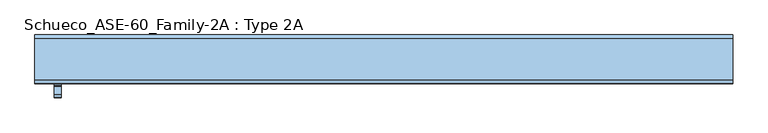
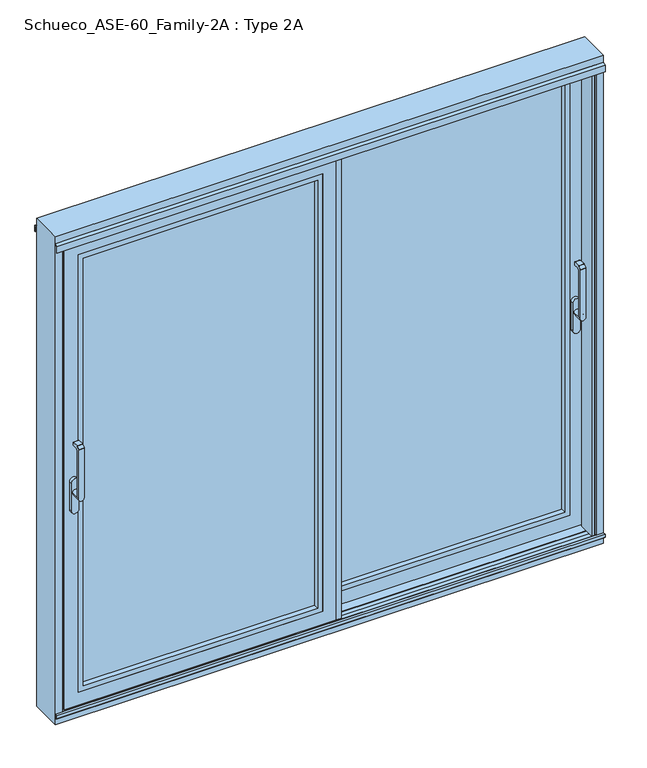
"""IFC4 building model written with IfcOpenShell, lengths in millimetres: window geometry, Schueco_ASE-60_Family-2A : Type 2A."""

from ifc_helpers import new_model, si_unit, point, frame, frame_2d, origin, origin_with_axes, place, context, project, spatial, polyline, circle_curve, trimmed, segment, composite_curve, outline, extrude, faceted_brep, source, transform, mapped, element, save
from ifc_brep_helpers import plane_surface, cylinder_surface, revolved_surface, advanced_brep


def schueco_ase_60_family_2a_type_2a_1ae29067(model_context):
    return source(origin(), model_context, "Body", "SolidModel", [
        advanced_brep(
        [(1099.75, -29.999944, 1214.6494011), (1123.75, -29.999944, 1214.6494011), (1123.75, -29.999944, 999.0), (1099.75, -29.999944, 999.005052), (1123.75, 6.000056, 999.005052), (1099.75, 6.000056, 999.005052), (1099.75, -41.4141576, 1225.6502145), (1123.75, -41.4141576, 1225.6502145), (1123.75, -30.6500975, 1236.4142746), (1099.75, -30.6500975, 1236.4142746), (1123.75, -41.999944, 999.0), (1123.75, -41.999944, 1224.2360009), (1099.75, -41.999944, 1224.2360009), (1099.75, -41.999944, 999.0), (1099.75, -29.2358839, 1237.000061), (1099.75, -1.999944, 1237.000061), (1099.75, 5.6e-05, 1235.000061), (1099.75, 5.6e-05, 1224.000061), (1099.75, -1.999944, 1222.000061), (1099.75, -22.649284, 1222.000061), (1123.75, -22.649284, 1222.000061), (1123.75, -1.999944, 1222.000061), (1123.75, 5.6e-05, 1224.000061), (1123.75, 5.6e-05, 1235.000061), (1123.75, -1.999944, 1237.000061), (1123.75, -29.2358839, 1237.000061)],
        [
            (0, 1),
            (1, 2),
            (2, 3, circle_curve(frame((1111.75, -29.999944, 999.005052), z_axis=(0.0, -1.0, 0.0), x_axis=(-1.0, 0.0, 0.0)), 12.0)),
            (3, 0),
            (4, 5, circle_curve(frame((1111.75, 6.000056, 999.005052), z_axis=(0.0, 1.0, 0.0), x_axis=(-1.0, 0.0, 0.0)), 12.0)),
            (5, 4, circle_curve(frame((1111.75, 6.000056, 999.005052), z_axis=(0.0, 1.0, 0.0), x_axis=(-1.0, 0.0, 0.0)), 12.0)),
            (6, 7),
            (7, 8),
            (8, 9),
            (9, 6),
            (10, 11),
            (11, 12),
            (12, 13),
            (13, 10, circle_curve(frame((1111.75, -41.999944, 999.005052), z_axis=(0.0, -1.0, 0.0), x_axis=(-1.0, 0.0, 0.0)), 12.0)),
            (13, 3),
            (3, 5),
            (4, 2),
            (2, 10),
            (12, 6, circle_curve(frame((1099.75, -39.999944, 1224.2360009), z_axis=(-1.0, 0.0, 0.0), x_axis=(0.0, 0.0, -1.0)), 2.0)),
            (9, 14, circle_curve(frame((1099.75, -29.2358839, 1235.000061), z_axis=(-1.0, 0.0, 0.0), x_axis=(0.0, 0.0, -1.0)), 2.0)),
            (14, 15),
            (15, 16, circle_curve(frame((1099.75, -1.999944, 1235.000061), z_axis=(-1.0, 0.0, 0.0), x_axis=(0.0, 0.0, -1.0)), 2.0)),
            (16, 17),
            (17, 18, circle_curve(frame((1099.75, -1.999944, 1224.000061), z_axis=(-1.0, 0.0, 0.0), x_axis=(0.0, 0.0, -1.0)), 2.0)),
            (18, 19),
            (19, 0, circle_curve(frame((1099.75, -22.649284, 1214.6494011), z_axis=(1.0, 0.0, 0.0), x_axis=(0.0, 0.0, -1.0)), 7.35066)),
            (1, 20, circle_curve(frame((1123.75, -22.649284, 1214.6494011), z_axis=(-1.0, 0.0, 0.0), x_axis=(0.0, 0.0, -1.0)), 7.35066)),
            (20, 21),
            (21, 22, circle_curve(frame((1123.75, -1.999944, 1224.000061), z_axis=(1.0, 0.0, 0.0), x_axis=(0.0, 0.0, -1.0)), 2.0)),
            (22, 23),
            (23, 24, circle_curve(frame((1123.75, -1.999944, 1235.000061), z_axis=(1.0, 0.0, 0.0), x_axis=(0.0, 0.0, -1.0)), 2.0)),
            (24, 25),
            (25, 8, circle_curve(frame((1123.75, -29.2358839, 1235.000061), z_axis=(1.0, 0.0, 0.0), x_axis=(0.0, 0.0, -1.0)), 2.0)),
            (7, 11, circle_curve(frame((1123.75, -39.999944, 1224.2360009), z_axis=(1.0, 0.0, 0.0), x_axis=(0.0, 0.0, -1.0)), 2.0)),
            (19, 20),
            (18, 21),
            (17, 22),
            (16, 23),
            (15, 24),
            (14, 25),
        ],
        [
            plane_surface(frame((1099.75, -29.999944, 999.0), z_axis=(0.0, 1.0, 0.0), x_axis=(1.0, 0.0, 0.0))),
            plane_surface(frame((1099.75, 6.000056, 999.005052), z_axis=(0.0, 1.0, 0.0), x_axis=(0.0, 0.0, -1.0))),
            plane_surface(frame((1099.75, -30.6500975, 1236.4142746), z_axis=(0.0, -0.7071067811865422, 0.7071067811865528), x_axis=(1.0, 0.0, 0.0))),
            plane_surface(frame((1099.75, -41.999944, 999.005052), z_axis=(0.0, -1.0, 0.0), x_axis=(0.0, 0.0, 1.0))),
            cylinder_surface(frame((1111.75, 6.000056, 999.005052), z_axis=(0.0, -1.0, 0.0), x_axis=(-1.0, 0.0, 0.0)), 12.0),
            plane_surface(frame((1099.75, -41.999944, 1004.7503433), z_axis=(-1.0, 0.0, 0.0), x_axis=(0.0, 0.0, -1.0))),
            plane_surface(frame((1123.75, -41.999944, 1004.7503433), z_axis=(1.0, 0.0, 0.0), x_axis=(0.0, 0.0, 1.0))),
            revolved_surface(polyline([(1123.75, -22.649284, 1207.2987411), (1099.75, -22.649284, 1207.2987411)]), (1123.75, -22.649284, 1214.6494011), (1.0, 0.0, 0.0)),
            plane_surface(frame((1099.75, -22.649284, 1222.000061), z_axis=(0.0, 0.0, -1.0), x_axis=(1.0, 0.0, 0.0))),
            cylinder_surface(frame((1123.75, -1.999944, 1224.000061), z_axis=(-1.0, 0.0, 0.0), x_axis=(0.0, 0.0, -1.0)), 2.0),
            plane_surface(frame((1099.75, 5.6e-05, 1224.000061), z_axis=(0.0, 1.0, 0.0), x_axis=(1.0, 0.0, 0.0))),
            cylinder_surface(frame((1123.75, -1.999944, 1235.000061), z_axis=(-1.0, 0.0, 0.0), x_axis=(0.0, 0.0, -1.0)), 2.0),
            plane_surface(frame((1099.75, -1.999944, 1237.000061), z_axis=(0.0, 0.0, 1.0), x_axis=(1.0, 0.0, 0.0))),
            cylinder_surface(frame((1123.75, -29.2358839, 1235.000061), z_axis=(-1.0, 0.0, 0.0), x_axis=(0.0, 0.0, -1.0)), 2.0),
            cylinder_surface(frame((1123.75, -39.999944, 1224.2360009), z_axis=(-1.0, 0.0, 0.0), x_axis=(0.0, 0.0, -1.0)), 2.0),
        ],
        [
            (0, [[1, 2, 3, 4]]),
            (1, [[5, 6]]),
            (2, [[7, 8, 9, 10]]),
            (3, [[11, 12, 13, 14]]),
            (4, [[15, 16, -5, 17, 18, -14]]),
            (4, [[-16, -3, -17, -6]]),
            (5, [[19, -10, 20, 21, 22, 23, 24, 25, 26, -4, -15, -13]]),
            (6, [[-11, -18, -2, 27, 28, 29, 30, 31, 32, 33, -8, 34]]),
            (7, [[35, -27, -1, -26]]),
            (8, [[36, -28, -35, -25]]),
            (9, [[37, -29, -36, -24]]),
            (10, [[38, -30, -37, -23]]),
            (11, [[39, -31, -38, -22]]),
            (12, [[40, -32, -39, -21]]),
            (13, [[-9, -33, -40, -20]]),
            (14, [[-12, -34, -7, -19]]),
        ],
    ),
        extrude(outline(composite_curve([segment(polyline([(917.2823932, 1128.5), (1044.0099288, 1128.5)]), True, "CONTINUOUS"), segment(trimmed(circle_curve(frame_2d((1044.0099288, 1111.75)), 16.75), [point((1044.0099288, 1128.5))], [point((1044.0099288, 1095.0))], False, "CARTESIAN"), True, "CONTINUOUS"), segment(polyline([(1044.0099288, 1095.0), (917.2823932, 1095.0)]), True, "CONTINUOUS"), segment(trimmed(circle_curve(frame_2d((917.2823932, 1111.75)), 16.75), [point((917.2823932, 1095.0))], [point((917.2823932, 1128.5))], False, "CARTESIAN"), True, "CONTINUOUS")], self_intersect=False)), frame((0.0, 6.000056, 0.0), z_axis=(0.0, 1.0, 0.0), x_axis=(0.0, 0.0, 1.0)), (0.0, 0.0, 1.0), 13.9999695),
        extrude(outline(polyline([(-51.0016879, 80.0), (-31.0017184, 80.0), (-31.0017184, 74.5), (-47.2016228, 74.5), (-47.2016228, 20.0000255), (-9.48e-05, 20.0000255), (-9.48e-05, 4.0000255), (-51.0016879, 4.0000255), (-51.0016879, 80.0)])), frame((0.0, 0.0, 3.9982816), z_axis=(0.0, 0.0, 1.0), x_axis=(1.0, 0.0, 0.0)), (0.0, 0.0, 1.0), 2127.0034368),
        extrude(outline(polyline([(2071.0, 1090.0), (2071.0, 29.0), (64.0, 29.0), (64.0, 1090.0), (2071.0, 1090.0)]), holes=[polyline([(2048.987351, 51.012649), (2048.987351, 1067.987351), (86.012649, 1067.987351), (86.012649, 51.012649), (2048.987351, 51.012649)])]), frame((0.0, 20.0000255, 0.0), z_axis=(0.0, 1.0, 0.0), x_axis=(0.0, 0.0, 1.0)), (0.0, 0.0, 1.0), 22.9999656),
        extrude(outline(polyline([(1090.0, 68.9999911), (1090.0, 42.9999911), (29.0, 42.9999911), (29.0, 68.9999911), (1090.0, 68.9999911)])), frame((0.0, 0.0, 64.0), z_axis=(0.0, 0.0, 1.0), x_axis=(1.0, 0.0, 0.0)), (0.0, 0.0, 1.0), 2007.0),
        faceted_brep([(1150.0, 25.5000255, 2131.0), (-31.0, 25.5000255, 2131.0), (-31.0, 20.0000255, 2131.0), (1150.0, 20.0000255, 2131.0), (51.0, 68.9999911, 2049.0), (51.0, 68.9999911, 86.0), (51.0, 80.0, 86.0), (51.0, 80.0, 2049.0), (-31.0017184, 80.0, 2131.0017184), (1150.0017184, 80.0, 2131.0017184), (1150.0017184, 80.0, 3.9982816), (-31.0017184, 80.0, 3.9982816), (1068.0, 80.0, 2049.0), (1068.0, 80.0, 86.0), (1068.0, 68.9999911, 86.0), (1090.0, 68.9999911, 2071.0), (29.0, 68.9999911, 2071.0), (29.0, 68.9999911, 64.0), (1090.0, 68.9999911, 64.0), (1068.0, 68.9999911, 2049.0), (29.0, 20.0000255, 2071.0), (29.0, 20.0000255, 64.0), (1090.0, 20.0000255, 64.0), (-31.0, 20.0000255, 4.0), (1150.0, 20.0000255, 4.0), (1090.0, 20.0000255, 2071.0), (-31.0, 25.5000255, 4.0), (1150.0, 25.5000255, 4.0), (1120.0, 25.5000255, 2101.0), (-1.0, 25.5000255, 2101.0), (-1.0, 25.5000255, 34.0), (1120.0, 25.5000255, 34.0), (-1.0, 74.5000332, 2101.0), (-1.0, 74.5000332, 34.0), (1150.0017184, 74.5000332, 2131.0017184), (-31.0017184, 74.5000332, 2131.0017184), (-31.0017184, 74.5000332, 3.9982816), (1150.0017184, 74.5000332, 3.9982816), (1120.0, 74.5000332, 2101.0), (1120.0, 74.5000332, 34.0)], [[[0, 1, 2, 3]], [[4, 5, 6, 7]], [[8, 9, 10, 11], [12, 7, 6, 13]], [[5, 14, 13, 6]], [[15, 16, 17, 18], [4, 19, 14, 5]], [[20, 21, 17, 16]], [[21, 22, 18, 17]], [[3, 2, 23, 24], [20, 25, 22, 21]], [[1, 26, 23, 2]], [[26, 27, 24, 23]], [[1, 0, 27, 26], [28, 29, 30, 31]], [[32, 33, 30, 29]], [[34, 35, 36, 37], [32, 38, 39, 33]], [[8, 11, 36, 35]], [[27, 0, 3, 24]], [[19, 4, 7, 12]], [[25, 20, 16, 15]], [[33, 39, 31, 30]], [[11, 10, 37, 36]], [[14, 19, 12, 13]], [[22, 25, 15, 18]], [[39, 38, 28, 31]], [[10, 9, 34, 37]], [[38, 32, 29, 28]], [[9, 8, 35, 34]]]),
        advanced_brep(
        [(-1099.75, -109.9999695, 1214.6494011), (-1099.75, -109.9999695, 999.0), (-1123.75, -109.9999695, 999.005052), (-1123.75, -109.9999695, 1214.6494011), (-1123.75, -73.9999695, 999.005052), (-1099.75, -73.9999695, 999.005052), (-1099.75, -121.414183, 1225.6502145), (-1099.75, -110.6501229, 1236.4142746), (-1123.75, -110.6501229, 1236.4142746), (-1123.75, -121.414183, 1225.6502145), (-1123.75, -121.9999695, 999.005052), (-1099.75, -121.9999695, 999.005052), (-1099.75, -121.9999695, 1224.2360009), (-1123.75, -121.9999695, 1224.2360009), (-1099.75, -102.6493095, 1222.000061), (-1099.75, -81.9999695, 1222.000061), (-1099.75, -79.9999695, 1224.000061), (-1099.75, -79.9999695, 1235.000061), (-1099.75, -81.9999695, 1237.000061), (-1099.75, -109.2359094, 1237.000061), (-1123.75, -109.2359094, 1237.000061), (-1123.75, -81.9999695, 1237.000061), (-1123.75, -79.9999695, 1235.000061), (-1123.75, -79.9999695, 1224.000061), (-1123.75, -81.9999695, 1222.000061), (-1123.75, -102.6493095, 1222.000061)],
        [
            (0, 1),
            (1, 2, circle_curve(frame((-1111.75, -109.9999695, 999.005052), z_axis=(0.0, -1.0, 0.0), x_axis=(1.0, 0.0, 0.0)), 12.0)),
            (2, 3),
            (3, 0),
            (4, 5, circle_curve(frame((-1111.75, -73.9999695, 999.005052), z_axis=(0.0, 1.0, 0.0), x_axis=(1.0, 0.0, 0.0)), 12.0)),
            (5, 4, circle_curve(frame((-1111.75, -73.9999695, 999.005052), z_axis=(0.0, 1.0, 0.0), x_axis=(1.0, 0.0, 0.0)), 12.0)),
            (6, 7),
            (7, 8),
            (8, 9),
            (9, 6),
            (10, 11, circle_curve(frame((-1111.75, -121.9999695, 999.005052), z_axis=(0.0, -1.0, 0.0), x_axis=(1.0, 0.0, 0.0)), 12.0)),
            (11, 12),
            (12, 13),
            (13, 10),
            (10, 2),
            (2, 4),
            (5, 1),
            (1, 11),
            (0, 14, circle_curve(frame((-1099.75, -102.6493095, 1214.6494011), z_axis=(-1.0, 0.0, 0.0), x_axis=(0.0, 0.0, -1.0)), 7.35066)),
            (14, 15),
            (15, 16, circle_curve(frame((-1099.75, -81.9999695, 1224.000061), z_axis=(1.0, 0.0, 0.0), x_axis=(0.0, 0.0, -1.0)), 2.0)),
            (16, 17),
            (17, 18, circle_curve(frame((-1099.75, -81.9999695, 1235.000061), z_axis=(1.0, 0.0, 0.0), x_axis=(0.0, 0.0, -1.0)), 2.0)),
            (18, 19),
            (19, 7, circle_curve(frame((-1099.75, -109.2359094, 1235.000061), z_axis=(1.0, 0.0, 0.0), x_axis=(0.0, 0.0, -1.0)), 2.0)),
            (6, 12, circle_curve(frame((-1099.75, -119.9999695, 1224.2360009), z_axis=(1.0, 0.0, 0.0), x_axis=(0.0, 0.0, -1.0)), 2.0)),
            (13, 9, circle_curve(frame((-1123.75, -119.9999695, 1224.2360009), z_axis=(-1.0, 0.0, 0.0), x_axis=(0.0, 0.0, -1.0)), 2.0)),
            (8, 20, circle_curve(frame((-1123.75, -109.2359094, 1235.000061), z_axis=(-1.0, 0.0, 0.0), x_axis=(0.0, 0.0, -1.0)), 2.0)),
            (20, 21),
            (21, 22, circle_curve(frame((-1123.75, -81.9999695, 1235.000061), z_axis=(-1.0, 0.0, 0.0), x_axis=(0.0, 0.0, -1.0)), 2.0)),
            (22, 23),
            (23, 24, circle_curve(frame((-1123.75, -81.9999695, 1224.000061), z_axis=(-1.0, 0.0, 0.0), x_axis=(0.0, 0.0, -1.0)), 2.0)),
            (24, 25),
            (25, 3, circle_curve(frame((-1123.75, -102.6493095, 1214.6494011), z_axis=(1.0, 0.0, 0.0), x_axis=(0.0, 0.0, -1.0)), 7.35066)),
            (25, 14),
            (24, 15),
            (23, 16),
            (22, 17),
            (21, 18),
            (20, 19),
        ],
        [
            plane_surface(frame((-1099.75, -109.9999695, 999.0), z_axis=(0.0, 1.0, 0.0), x_axis=(-1.0, 0.0, 0.0))),
            plane_surface(frame((-1099.75, -73.9999695, 999.005052), z_axis=(0.0, 1.0, 0.0), x_axis=(0.0, 0.0, -1.0))),
            plane_surface(frame((-1099.75, -110.6501229, 1236.4142746), z_axis=(0.0, -0.7071067811865422, 0.7071067811865528), x_axis=(-1.0, 0.0, 0.0))),
            plane_surface(frame((-1099.75, -121.9999695, 999.005052), z_axis=(0.0, -1.0, 0.0), x_axis=(0.0, 0.0, 1.0))),
            cylinder_surface(frame((-1111.75, -73.9999695, 999.005052), z_axis=(0.0, -1.0, 0.0), x_axis=(1.0, 0.0, 0.0)), 12.0),
            plane_surface(frame((-1099.75, -121.9999695, 1004.7503433), z_axis=(1.0, 0.0, 0.0), x_axis=(0.0, 0.0, -1.0))),
            plane_surface(frame((-1123.75, -121.9999695, 1004.7503433), z_axis=(-1.0, 0.0, 0.0), x_axis=(0.0, 0.0, 1.0))),
            revolved_surface(polyline([(-1123.75, -102.6493095, 1207.2987411), (-1099.75, -102.6493095, 1207.2987411)]), (-1123.75, -102.6493095, 1214.6494011), (-1.0, 0.0, 0.0)),
            plane_surface(frame((-1099.75, -102.6493095, 1222.000061), z_axis=(0.0, 0.0, -1.0), x_axis=(-1.0, 0.0, 0.0))),
            cylinder_surface(frame((-1123.75, -81.9999695, 1224.000061), z_axis=(1.0, 0.0, 0.0), x_axis=(0.0, 0.0, -1.0)), 2.0),
            plane_surface(frame((-1099.75, -79.9999695, 1224.000061), z_axis=(0.0, 1.0, 0.0), x_axis=(-1.0, 0.0, 0.0))),
            cylinder_surface(frame((-1123.75, -81.9999695, 1235.000061), z_axis=(1.0, 0.0, 0.0), x_axis=(0.0, 0.0, -1.0)), 2.0),
            plane_surface(frame((-1099.75, -81.9999695, 1237.000061), z_axis=(0.0, 0.0, 1.0), x_axis=(-1.0, 0.0, 0.0))),
            cylinder_surface(frame((-1123.75, -109.2359094, 1235.000061), z_axis=(1.0, 0.0, 0.0), x_axis=(0.0, 0.0, -1.0)), 2.0),
            cylinder_surface(frame((-1123.75, -119.9999695, 1224.2360009), z_axis=(1.0, 0.0, 0.0), x_axis=(0.0, 0.0, -1.0)), 2.0),
        ],
        [
            (0, [[1, 2, 3, 4]]),
            (1, [[5, 6]]),
            (2, [[7, 8, 9, 10]]),
            (3, [[11, 12, 13, 14]]),
            (4, [[-11, 15, 16, -6, 17, 18]]),
            (4, [[-5, -16, -2, -17]]),
            (5, [[-12, -18, -1, 19, 20, 21, 22, 23, 24, 25, -7, 26]]),
            (6, [[27, -9, 28, 29, 30, 31, 32, 33, 34, -3, -15, -14]]),
            (7, [[-19, -4, -34, 35]]),
            (8, [[-20, -35, -33, 36]]),
            (9, [[-21, -36, -32, 37]]),
            (10, [[-22, -37, -31, 38]]),
            (11, [[-23, -38, -30, 39]]),
            (12, [[-24, -39, -29, 40]]),
            (13, [[-25, -40, -28, -8]]),
            (14, [[-26, -10, -27, -13]]),
        ],
    ),
        extrude(outline(composite_curve([segment(trimmed(circle_curve(frame_2d((917.2823932, -1111.75)), 16.75), [point((917.2823932, -1128.5))], [point((917.2823932, -1095.0))], False, "CARTESIAN"), True, "CONTINUOUS"), segment(polyline([(917.2823932, -1095.0), (1044.0099288, -1095.0)]), True, "CONTINUOUS"), segment(trimmed(circle_curve(frame_2d((1044.0099288, -1111.75)), 16.75), [point((1044.0099288, -1095.0))], [point((1044.0099288, -1128.5))], False, "CARTESIAN"), True, "CONTINUOUS"), segment(polyline([(1044.0099288, -1128.5), (917.2823932, -1128.5)]), True, "CONTINUOUS")], self_intersect=False)), frame((0.0, -73.9999695, 0.0), z_axis=(0.0, 1.0, 0.0), x_axis=(0.0, 0.0, 1.0)), (0.0, 0.0, 1.0), 13.9999695),
        extrude(outline(polyline([(-0.0016236, 15.9999745), (50.9999695, 15.9999745), (50.9999695, -60.0), (31.0, -60.0), (31.0, -54.5), (47.1999044, -54.5), (47.1999044, -2.55e-05), (-0.0016236, -2.55e-05), (-0.0016236, 15.9999745)])), frame((0.0, 0.0, 4.0), z_axis=(0.0, 0.0, 1.0), x_axis=(1.0, 0.0, 0.0)), (0.0, 0.0, 1.0), 2127.0),
        extrude(outline(polyline([(2071.0, -1090.0), (64.0, -1090.0), (64.0, -29.0), (2071.0, -29.0), (2071.0, -1090.0)]), holes=[polyline([(2048.987351, -51.012649), (86.012649, -51.012649), (86.012649, -1067.987351), (2048.987351, -1067.987351), (2048.987351, -51.012649)])]), frame((0.0, -60.0, 0.0), z_axis=(0.0, 1.0, 0.0), x_axis=(0.0, 0.0, 1.0)), (0.0, 0.0, 1.0), 22.9999656),
        extrude(outline(polyline([(-1090.0, -11.0000344), (-29.0, -11.0000344), (-29.0, -37.0000344), (-1090.0, -37.0000344), (-1090.0, -11.0000344)])), frame((0.0, 0.0, 64.0), z_axis=(0.0, 0.0, 1.0), x_axis=(1.0, 0.0, 0.0)), (0.0, 0.0, 1.0), 2007.0),
        faceted_brep([(-1150.0, -54.5, 2131.0), (-1150.0, -60.0, 2131.0), (31.0, -60.0, 2131.0), (31.0, -54.5, 2131.0), (-51.0, -11.0000344, 2049.0), (-51.0, -2.55e-05, 2049.0), (-51.0, -2.55e-05, 86.0), (-51.0, -11.0000344, 86.0), (31.0017184, -2.55e-05, 2131.0017184), (31.0017184, -2.55e-05, 3.9982816), (-1150.0017184, -2.55e-05, 3.9982816), (-1150.0017184, -2.55e-05, 2131.0017184), (-1068.0, -2.55e-05, 2049.0), (-1068.0, -2.55e-05, 86.0), (-1068.0, -11.0000344, 86.0), (-1090.0, -11.0000344, 2071.0), (-1090.0, -11.0000344, 64.0), (-29.0, -11.0000344, 64.0), (-29.0, -11.0000344, 2071.0), (-1068.0, -11.0000344, 2049.0), (-29.0, -60.0, 2071.0), (-29.0, -60.0, 64.0), (-1090.0, -60.0, 64.0), (-1150.0, -60.0, 4.0), (31.0, -60.0, 4.0), (-1090.0, -60.0, 2071.0), (31.0, -54.5, 4.0), (-1150.0, -54.5, 4.0), (-1120.0, -54.5, 2101.0), (-1120.0, -54.5, 34.0), (1.0, -54.5, 34.0), (1.0, -54.5, 2101.0), (1.0, -5.4999923, 2101.0), (1.0, -5.4999923, 34.0), (-1150.0017184, -5.4999923, 2131.0017184), (-1150.0017184, -5.4999923, 3.9982816), (31.0017184, -5.4999923, 3.9982816), (31.0017184, -5.4999923, 2131.0017184), (-1120.0, -5.4999923, 34.0), (-1120.0, -5.4999923, 2101.0)], [[[0, 1, 2, 3]], [[4, 5, 6, 7]], [[8, 9, 10, 11], [12, 13, 6, 5]], [[7, 6, 13, 14]], [[15, 16, 17, 18], [4, 7, 14, 19]], [[20, 18, 17, 21]], [[21, 17, 16, 22]], [[1, 23, 24, 2], [20, 21, 22, 25]], [[3, 2, 24, 26]], [[26, 24, 23, 27]], [[3, 26, 27, 0], [28, 29, 30, 31]], [[32, 31, 30, 33]], [[34, 35, 36, 37], [32, 33, 38, 39]], [[8, 37, 36, 9]], [[27, 23, 1, 0]], [[19, 12, 5, 4]], [[25, 15, 18, 20]], [[33, 30, 29, 38]], [[9, 36, 35, 10]], [[14, 13, 12, 19]], [[22, 16, 15, 25]], [[38, 29, 28, 39]], [[10, 35, 34, 11]], [[39, 28, 31, 32]], [[11, 34, 37, 8]]]),
        extrude(outline(polyline([(-1139.0, 5.0), (-1158.0007202, 5.0), (-1158.0007202, 9.0), (-1142.0, 9.0), (-1142.0, 68.2882381), (-1150.0, 71.2), (-1150.0, 80.0), (-1139.0, 80.0), (-1139.0, 5.0)])), origin_with_axes(), (0.0, 0.0, 1.0), 2157.5),
        extrude(outline(polyline([(1139.0, 15.0), (1158.0007202, 15.0), (1158.0007202, 11.0), (1142.0, 11.0), (1142.0, -48.2882381), (1150.0, -51.2), (1150.0, -60.0), (1139.0, -60.0), (1139.0, 15.0)])), origin_with_axes(), (0.0, 0.0, 1.0), 2157.5),
        faceted_brep([(1190.0, 80.0, -51.0), (1190.0, -60.0, -51.0), (-1190.0, -60.0, -51.0), (-1190.0, 80.0, -51.0), (1190.0, 80.0, 2190.0), (1190.0, -60.0, 2190.0), (-1190.0, -60.0, 2190.0), (-1158.0, -60.0, -19.0), (-1158.0, -60.0, 2157.5), (1158.0, -60.0, 2157.5), (1158.0, -60.0, -19.0), (-1190.0, 80.0, 2190.0), (-1158.0, -51.2000255, -19.0), (-1158.0, -51.2000255, 2157.5), (1158.0, -51.2000255, 2157.5), (1158.0, -51.2000255, -19.0), (1142.0, -11.7120495, -3.0), (1142.0, -48.2882636, -3.0), (1142.0, -48.2882636, 2122.0), (1142.0, -11.7120495, 2122.0), (1142.0, -11.7120495, 2155.2007202), (1142.0, -11.7120495, 2130.9120495), (1142.0, -15.8, 2135.0), (1142.0, -15.8, 2155.2007202), (1142.0, -48.2882636, 2130.9117364), (1142.0, -48.2882636, 2142.0), (1142.0, -44.2, 2142.0), (1142.0, -44.2, 2135.0), (-1142.0, -11.7120245, -3.0), (-1142.0, -48.2882386, -3.0), (1150.0, -51.2000255, -11.00007), (1150.0, -51.2000255, 2150.0), (1146.7029571, -50.0, 2129.2), (1146.7029571, -50.0, 2122.0), (1150.0007202, -8.8000255, -11.0006502), (1146.7038173, -10.0, 2122.0), (1146.7038173, -10.0, 2129.2), (1150.0007202, -8.8000255, 2155.2007202), (-1150.0, -51.2000255, -11.00007), (-1150.0, -51.2000255, 2150.0), (-1141.9999998, -48.2882635, 2122.0), (-1146.7029571, -50.0, 2122.0), (-1146.7029571, -50.0, 2129.2), (-1141.9999996, -48.2882635, 2130.9117365), (-1141.9999998, -48.2882635, 2142.0), (-1150.0007202, -8.8000255, -11.0006502), (1158.0007202, -8.8000255, 2155.2007202), (1158.0007202, -8.8000255, -19.0007202), (-1158.0007202, -8.8000255, -19.0007202), (-1158.0007202, -8.8000255, 2155.2007202), (-1150.0007202, -8.8000255, 2155.2007202), (1158.0007202, 28.7999745, -19.0007202), (1158.0007202, 28.7999745, 2155.2007202), (-1158.0007202, 28.7999745, -19.0007202), (-1158.0007202, 28.7999745, 2155.2007202), (-1142.0000001, -11.7120494, 2155.2007202), (-1142.0000002, -11.7120494, 2130.9120494), (-1146.7038173, -10.0, 2129.2), (-1146.7038173, -10.0, 2122.0), (-1142.0000003, -11.7120494, 2122.0), (1150.0007202, 28.7999745, -11.0007902), (-1150.0007202, 28.7999745, -11.0007902), (-1150.0007202, 28.7999745, 2155.2007202), (1150.0007202, 28.7999745, 2155.2007202), (1141.9999672, 31.7120105, -3.0000372), (-1141.9999314, 31.7120239, -3.0000002), (-1141.9999979, 31.7119993, 2122.0), (-1146.7036773, 30.0, 2122.0), (-1146.7036773, 30.0, 2129.2), (-1141.9999982, 31.7119992, 2130.9119992), (-1141.9999989, 31.7119989, 2155.2007202), (1142.0, 31.7119985, 2155.2007202), (1142.0, 31.7119985, 2130.9119985), (1146.7036773, 30.0, 2129.2), (1146.7036773, 30.0, 2122.0), (1142.0, 31.7119985, 2122.0), (1142.0, 35.8, 2155.2007202), (1142.0, 35.8, 2135.0), (1142.0, 68.2882381, -3.0), (1142.0, 68.2882381, 2122.0), (1142.0, 68.2882381, 2142.0), (1142.0, 68.2882381, 2130.9117619), (1142.0, 64.2, 2135.0), (1142.0, 64.2, 2142.0), (-1142.0, 68.2882381, -3.0), (1150.0, 71.2, -11.0), (1146.7030271, 70.0, 2122.0), (1146.7030271, 70.0, 2129.2), (1150.0, 71.2, 2150.0), (-1150.0, 71.2, -11.0), (1158.0, 71.2, -19.0), (-1158.0, 71.2, -19.0), (-1158.0, 71.2, 2157.5), (1158.0, 71.2, 2157.5), (-1150.0, 71.2, 2150.0), (-1142.0, 68.2882381, 2142.0), (-1142.0, 68.2882381, 2130.9117619), (-1146.7030271, 70.0, 2129.2), (-1146.7030271, 70.0, 2122.0), (-1142.0, 68.2882381, 2122.0), (1158.0, 80.0, -19.0), (-1158.0, 80.0, -19.0), (-1158.0, 80.0, 2157.5), (1158.0, 80.0, 2157.5), (-1142.0, 64.2, 2142.0), (-1142.0, 64.2, 2135.0), (-1142.0, 35.8, 2135.0), (-1142.0, 35.8, 2155.2007202), (-1142.0, -15.8, 2155.2007202), (-1142.0, -15.8, 2135.0), (-1142.0, -44.2, 2135.0), (-1142.0, -44.2, 2142.0)], [[[0, 1, 2, 3]], [[0, 4, 5, 1]], [[5, 6, 2, 1], [7, 8, 9, 10]], [[11, 3, 2, 6]], [[7, 12, 13, 8]], [[14, 15, 10, 9]], [[10, 15, 12, 7]], [[16, 17, 18, 19]], [[20, 21, 22, 23]], [[24, 25, 26, 27]], [[17, 16, 28, 29]], [[17, 30, 31, 25, 24, 32, 33, 18]], [[34, 16, 19, 35, 36, 21, 20, 37]], [[12, 15, 14, 13], [30, 38, 39, 31]], [[30, 17, 29, 38]], [[38, 29, 40, 41, 42, 43, 44, 39]], [[16, 34, 45, 28]], [[45, 34, 37, 46, 47, 48, 49, 50]], [[51, 47, 46, 52]], [[47, 51, 53, 48]], [[48, 53, 54, 49]], [[28, 45, 50, 55, 56, 57, 58, 59]], [[60, 61, 62, 54, 53, 51, 52, 63]], [[60, 64, 65, 61]], [[61, 65, 66, 67, 68, 69, 70, 62]], [[64, 60, 63, 71, 72, 73, 74, 75]], [[72, 71, 76, 77]], [[78, 64, 75, 79]], [[80, 81, 82, 83]], [[64, 78, 84, 65]], [[85, 78, 79, 86, 87, 81, 80, 88]], [[78, 85, 89, 84]], [[90, 91, 92, 93], [89, 85, 88, 94]], [[84, 89, 94, 95, 96, 97, 98, 99]], [[90, 100, 101, 91]], [[92, 91, 101, 102]], [[100, 90, 93, 103]], [[65, 84, 99, 66]], [[96, 95, 104, 105]], [[70, 69, 106, 107]], [[29, 28, 59, 40]], [[56, 55, 108, 109]], [[44, 43, 110, 111]], [[5, 4, 11, 6]], [[9, 8, 13, 14]], [[58, 35, 19, 18, 33, 41, 40, 59]], [[109, 22, 21, 36, 57, 56]], [[108, 23, 22, 109]], [[107, 76, 71, 63, 52, 46, 37, 20, 23, 108, 55, 50, 49, 54, 62, 70]], [[25, 44, 111, 26]], [[110, 27, 26, 111]], [[42, 32, 24, 27, 110, 43]], [[44, 25, 31, 39]], [[41, 33, 32, 42]], [[57, 36, 35, 58]], [[68, 73, 72, 77, 106, 69]], [[67, 74, 73, 68]], [[98, 86, 79, 75, 74, 67, 66, 99]], [[106, 77, 76, 107]], [[105, 82, 81, 87, 97, 96]], [[104, 83, 82, 105]], [[95, 80, 83, 104]], [[97, 87, 86, 98]], [[94, 88, 80, 95]], [[93, 92, 102, 103]], [[11, 4, 0, 3], [100, 103, 102, 101]]]),
        extrude(outline(polyline([(-73.0, -2.0), (-60.0, -2.0), (-60.0, -21.8), (-66.4, -21.8), (-73.0, -15.2), (-73.0, -2.0)])), frame((-1190.0, 0.0, 0.0), z_axis=(1.0, 0.0, 0.0), x_axis=(0.0, 1.0, 0.0)), (0.0, 0.0, 1.0), 2380.0),
        extrude(outline(polyline([(-51.2000255, 2150.5), (-68.5243789, 2150.5), (-71.0000233, 2149.0706861), (-71.0000233, 2121.5), (-72.6000233, 2121.5), (-72.6000233, 2150.225198), (-59.9996967, 2157.5), (-51.2000255, 2157.5), (-51.2000255, 2150.5)])), frame((-1190.0, 0.0, 0.0), z_axis=(1.0, 0.0, 0.0), x_axis=(0.0, 1.0, 0.0)), (0.0, 0.0, 1.0), 2380.0),
        extrude(outline(polyline([(71.2000255, 2150.5), (71.2000255, 2157.5), (79.9996967, 2157.5), (92.6000233, 2150.225198), (92.6000233, 2121.5), (91.0000233, 2121.5), (91.0000233, 2149.0706861), (88.5243789, 2150.5), (71.2000255, 2150.5)])), frame((-1190.0, 0.0, 0.0), z_axis=(1.0, 0.0, 0.0), x_axis=(0.0, 1.0, 0.0)), (0.0, 0.0, 1.0), 2380.0),
        extrude(outline(polyline([(28.7999745, -11.0007902), (28.7999745, -19.0007202), (-8.8000255, -19.0007202), (-8.8000255, -11.0006502), (-11.7120375, -2.9999628), (-18.0, -2.9999628), (-18.0, 0.0), (38.0002751, 0.0), (38.0002751, -3.0), (31.712024, -3.0), (28.7999745, -11.0007902)])), frame((-1158.0007202, 0.0, 0.0), z_axis=(1.0, 0.0, 0.0), x_axis=(0.0, 1.0, 0.0)), (0.0, 0.0, 1.0), 2316.0014404),
        extrude(outline(polyline([(80.0, -11.0), (71.2, -11.0), (68.2882381, -3.0), (62.0002751, -3.0), (62.0002751, 0.0), (80.0, 0.0), (80.0, -11.0)])), frame((-1158.0007202, 0.0, 0.0), z_axis=(1.0, 0.0, 0.0), x_axis=(0.0, 1.0, 0.0)), (0.0, 0.0, 1.0), 2316.0014404),
        extrude(outline(polyline([(-48.2882246, -2.9999628), (-51.2000255, -11.00007), (-51.2000255, -19.0007202), (-60.0, -19.0007202), (-60.0, 0.0), (-42.0, 0.0), (-42.0, -2.9999628), (-48.2882246, -2.9999628)])), frame((-1158.0007202, 0.0, 0.0), z_axis=(1.0, 0.0, 0.0), x_axis=(0.0, 1.0, 0.0)), (0.0, 0.0, 1.0), 2316.0014404),
    ])


if __name__ == "__main__":
    model = new_model("IFC4")
    model_context = context("Model", 3, world=origin())
    ifc_project = project(units=[si_unit("LENGTHUNIT", "METRE", prefix="MILLI")], contexts=[model_context])
    site = spatial("IfcSite", under=ifc_project)
    building = spatial("IfcBuilding", under=site)
    placement = place(None, origin())
    schueco_ase_60_family_2a_type_2a_shape = schueco_ase_60_family_2a_type_2a_1ae29067(model_context)
    element("IfcWindow", 1, ObjectType="Schueco_ASE-60_Family-2A : Type 2A", at=placement, inside=building, context=model_context, shape_type="MappedRepresentation", body=[
        mapped(schueco_ase_60_family_2a_type_2a_shape, transform((0.0, 0.0, 0.0), x_axis=(1.0, 0.0, 0.0), y_axis=(0.0, 1.0, 0.0), z_axis=(0.0, 0.0, 1.0))),
    ])
    save(model, "model.ifc")
